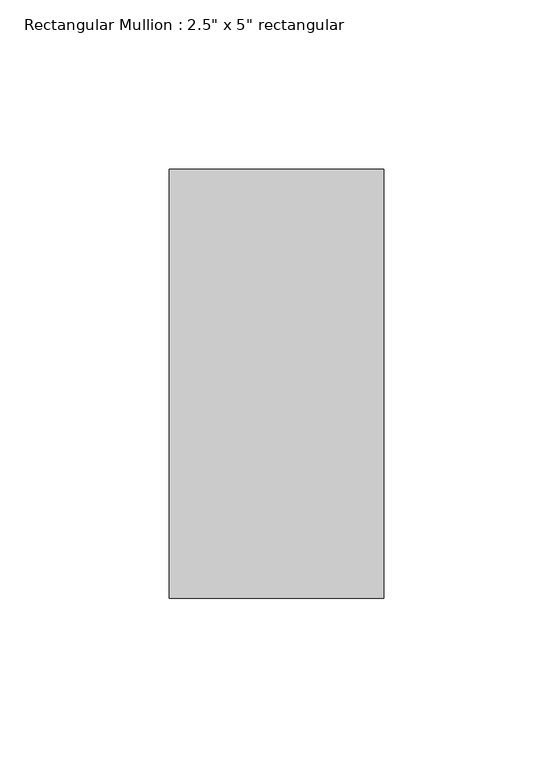
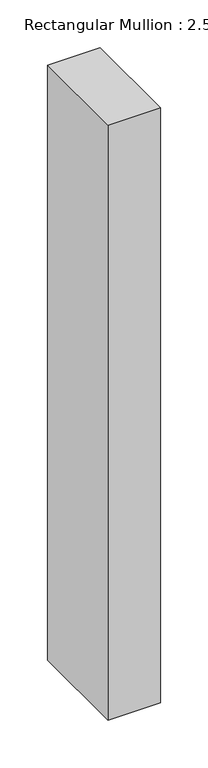
"""IFC4 building model written with IfcOpenShell, lengths in millimetres: member geometry."""

from ifc_helpers import new_model, si_unit, frame, origin, place, context, project, spatial, polyline, outline, extrude, source, transform, mapped, element, save


def member_1d86ced0(model_context):
    return source(origin(), model_context, "Body", "SweptSolid", [
        extrude(outline(polyline([(0.0, 63.5), (0.0, -63.5), (-63.5, -63.5), (-63.5, 63.5), (0.0, 63.5)])), frame((0.0, 0.0, -761.6), z_axis=(0.0, 0.0, 1.0), x_axis=(1.0, 0.0, 0.0)), (0.0, 0.0, 1.0), 761.6),
    ])


if __name__ == "__main__":
    model = new_model("IFC4")
    model_context = context("Model", 3, world=origin())
    ifc_project = project(units=[si_unit("LENGTHUNIT", "METRE", prefix="MILLI")], contexts=[model_context])
    site = spatial("IfcSite", under=ifc_project)
    building = spatial("IfcBuilding", under=site)
    placement = place(None, origin())
    member_shape = member_1d86ced0(model_context)
    element("IfcMember", 1, ObjectType="Rectangular Mullion : 2.5\" x 5\" rectangular", at=placement, inside=building, context=model_context, shape_type="MappedRepresentation", body=[
        mapped(member_shape, transform((0.0, 0.0, 0.0), x_axis=(1.0, 0.0, 0.0), y_axis=(0.0, 1.0, 0.0), z_axis=(0.0, 0.0, 1.0))),
    ])
    save(model, "model.ifc")
